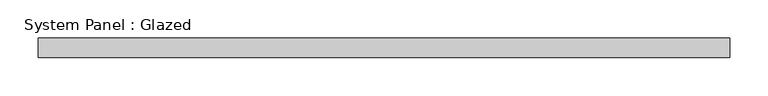
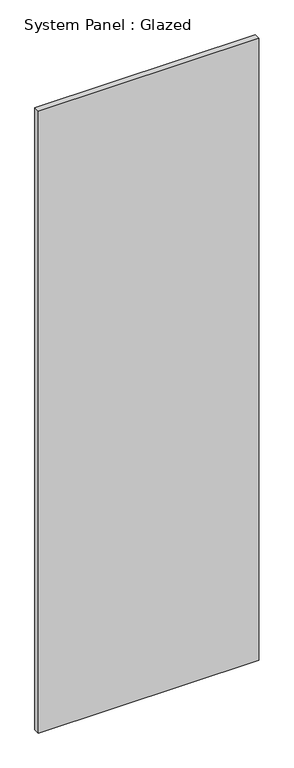
"""IFC4 building model written with IfcOpenShell, lengths in millimetres: plate geometry, System Panel : Glazed."""

from ifc_helpers import new_model, si_unit, origin, origin_with_axes, place, context, project, spatial, polyline, outline, extrude, source, transform, mapped, element, save


def system_panel_glazed_f90f283b(model_context):
    return source(origin(), model_context, "Body", "SweptSolid", [
        extrude(outline(polyline([(452.375, 19.05), (-452.375, 19.05), (-452.375, 44.45), (452.375, 44.45), (452.375, 19.05)])), origin_with_axes(), (0.0, 0.0, 1.0), 2700.0),
    ])


if __name__ == "__main__":
    model = new_model("IFC4")
    model_context = context("Model", 3, world=origin())
    ifc_project = project(units=[si_unit("LENGTHUNIT", "METRE", prefix="MILLI")], contexts=[model_context])
    site = spatial("IfcSite", under=ifc_project)
    building = spatial("IfcBuilding", under=site)
    placement = place(None, origin())
    system_panel_glazed_shape = system_panel_glazed_f90f283b(model_context)
    element("IfcPlate", 1, ObjectType="System Panel : Glazed", at=placement, inside=building, context=model_context, shape_type="MappedRepresentation", body=[
        mapped(system_panel_glazed_shape, transform((0.0, 0.0, 0.0), x_axis=(1.0, 0.0, 0.0), y_axis=(0.0, 1.0, 0.0), z_axis=(0.0, 0.0, 1.0))),
    ])
    save(model, "model.ifc")
